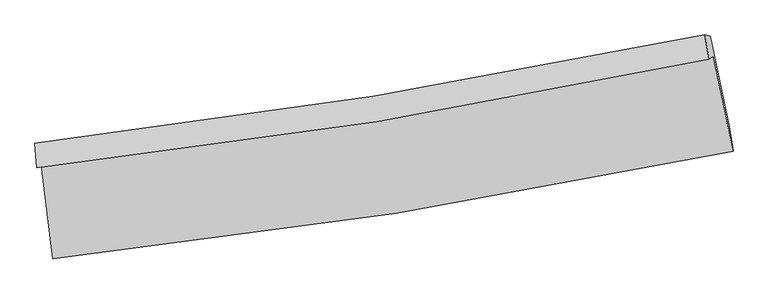
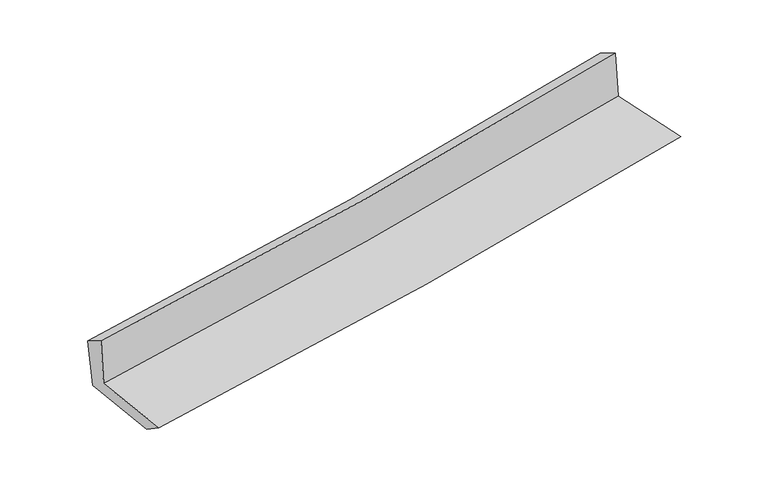
"""IFC4 building model written with IfcOpenShell, lengths in millimetres: proxy geometry."""

from ifc_helpers import new_model, si_unit, frame, origin, place, context, project, spatial, source, transform, mapped, element, save
from ifc_brep_helpers import plane_surface, spline_curve, spline_surface, advanced_brep


def generic_models_5eaeb740(model_context):
    return source(origin(), model_context, "Body", "AdvancedBrep", [
        advanced_brep(
        [(-2375.8786357, -1864.6034838, 1673.6521715), (-2296.7679261, -2519.3110208, 1657.0997748), (2449.936358, -1770.1824434, 2084.7871213), (2313.045521, -1108.8868283, 2089.3368495), (-2408.9430274, -1885.7599122, 2068.7350574), (2279.6697634, -1127.7617067, 2484.8736695), (-2420.4010358, -1714.5621644, 1970.5688097), (2253.6189694, -959.0781099, 2391.9287218), (-2383.6072964, -1725.4398021, 1576.2469839), (2291.0704152, -969.4075103, 2017.094651), (-2305.8789794, -2360.1843754, 1548.7618942), (2423.2820571, -1595.161847, 1984.3691495)],
        [
            (0, 1),
            (1, 2, spline_curve(3, [(-2296.7679261, -2519.3110208, 1657.0997748), (-1495.641198566, -2433.58795159, 1736.907109349), (-697.056809366, -2327.78289986, 1812.649367211), (885.115032166, -2077.576369192, 1955.111210191), (1668.765404485, -1933.671894856, 2021.931401286), (2449.936358, -1770.1824434, 2084.7871213)], [4, 2, 4], [0.0, 7.919379697353607, 15.740147837935723])),
            (2, 3),
            (3, 0, spline_curve(3, [(2313.045521, -1108.8868283, 2089.3368495), (1541.487646087, -1267.775674054, 2026.294211302), (767.428793662, -1409.907583305, 1960.36770479), (-795.482458042, -1662.238373369, 1821.879328865), (-1584.398324806, -1772.012016036, 1749.244276296), (-2375.8786357, -1864.6034838, 1673.6521715)], [4, 2, 4], [0.0, 7.820768140582116, 15.740147837935723])),
            (4, 0),
            (3, 5),
            (5, 4, spline_curve(3, [(2279.6697634, -1127.7617067, 2484.8736695), (1509.11063988, -1292.649340144, 2421.659919178), (735.579914683, -1437.987188517, 2355.609965165), (-827.215605609, -1691.149368993, 2216.969068351), (-1616.555810848, -1798.477589152, 2144.306151612), (-2408.9430274, -1885.7599122, 2068.7350574)], [4, 2, 4], [0.0, 7.7745073448746815, 15.64704294715688])),
            (6, 4),
            (5, 7),
            (7, 6, spline_curve(3, [(2253.6189694, -959.0781099, 2391.9287218), (1485.446843594, -1119.928036185, 2323.313415692), (714.317970683, -1263.027487488, 2254.116089897), (-843.613664715, -1515.305956999, 2113.677555674), (-1630.491460152, -1624.034523923, 2042.421577511), (-2420.4010358, -1714.5621644, 1970.5688097)], [4, 2, 4], [0.0, 7.763046937778591, 15.623977629437082])),
            (8, 6),
            (7, 9),
            (9, 8, spline_curve(3, [(2291.0704152, -969.4075103, 2017.094651), (1522.747139684, -1130.001933291, 1945.016062363), (751.488094015, -1273.017948295, 1872.472551634), (-806.663309287, -1525.474796932, 1725.535127788), (-1593.630167625, -1634.469545932, 1651.129416053), (-2383.6072964, -1725.4398021, 1576.2469839)], [4, 2, 4], [0.0, 7.753106325985892, 15.603971065324192])),
            (10, 8),
            (9, 11),
            (11, 10, spline_curve(3, [(2423.2820571, -1595.161847, 1984.3691495), (1645.75710275, -1761.185369034, 1916.357602751), (865.384827575, -1907.672768648, 1846.291598993), (-710.92992851, -2163.176043549, 1701.141316416), (-1506.94466561, -2271.696153367, 1626.004901507), (-2305.8789794, -2360.1843754, 1548.7618942)], [4, 2, 4], [0.0, 7.799849094968824, 15.69804597982371])),
            (1, 10),
            (11, 2),
        ],
        [
            spline_surface(3, 3, [[(-2375.8786357, -1864.6034838, 1673.6521715), (-1584.398324739, -1772.012016098, 1749.244276221), (-795.482458167, -1662.238373433, 1821.879328918), (767.428793786, -1409.907583242, 1960.367704738), (1541.487646122, -1267.775674086, 2026.294211375), (2313.045521, -1108.8868283, 2089.3368495)], [(-2349.508399172, -2082.839329468, 1668.134705911), (-1554.812615986, -1992.537327908, 1745.131887246), (-762.673908586, -1884.086548956, 1818.802674989), (806.657539885, -1632.46384519, 1958.615539878), (1583.913565548, -1489.741081006, 2024.839941304), (2358.67579999, -1329.318700019, 2087.820273413)], [(-2323.138162628, -2301.075175132, 1662.617240389), (-1525.226907217, -2213.062639715, 1741.019498338), (-729.865358935, -2105.934724462, 1815.726021115), (845.886286054, -1855.020107121, 1956.863375076), (1626.339485004, -1711.706487867, 2023.385671295), (2404.30607901, -1549.750571681, 2086.303697387)], [(-2296.7679261, -2519.3110208, 1657.0997748), (-1495.641198463, -2433.587951525, 1736.907109363), (-697.056809354, -2327.782899984, 1812.649367186), (885.115032153, -2077.57636907, 1955.111210216), (1668.76540443, -1933.671894787, 2021.931401224), (2449.936358, -1770.1824434, 2084.7871213)]], [4, 4], [4, 2, 4], [0.0, 2.215597343833788], [0.0, 7.919379697353607, 15.740147837935723]),
            spline_surface(3, 3, [[(-2408.9430274, -1885.7599122, 2068.7350574), (-1616.55581088, -1798.477589114, 2144.30615173), (-827.215605643, -1691.149369026, 2216.969068377), (735.579914717, -1437.987188485, 2355.609965139), (1509.110639761, -1292.649340035, 2421.659919203), (2279.6697634, -1127.7617067, 2484.8736695)], [(-2397.921563495, -1878.707769407, 1937.040762104), (-1605.836648828, -1789.655731449, 2012.618859898), (-816.637889797, -1681.512370508, 2085.27248857), (746.196207761, -1428.627320083, 2223.862545018), (1519.902975223, -1284.358118034, 2289.871349936), (2290.795015942, -1121.470080549, 2353.028062842)], [(-2386.900099605, -1871.655626593, 1805.346466796), (-1595.117486792, -1780.833873762, 1880.931568053), (-806.060174014, -1671.875371952, 1953.575908725), (756.812500742, -1419.267451643, 2092.115124859), (1530.69531066, -1276.066896087, 2158.082780642), (2301.920268458, -1115.178454451, 2221.182456158)], [(-2375.8786357, -1864.6034838, 1673.6521715), (-1584.398324739, -1772.012016098, 1749.244276221), (-795.482458167, -1662.238373433, 1821.879328918), (767.428793786, -1409.907583242, 1960.367704738), (1541.487646122, -1267.775674086, 2026.294211375), (2313.045521, -1108.8868283, 2089.3368495)]], [4, 4], [4, 2, 4], [0.0, 1.3040185194687381], [0.0, 7.872535602282198, 15.64704294715688]),
            spline_surface(3, 3, [[(-2420.4010358, -1714.5621644, 1970.5688097), (-1630.491460199, -1624.034523814, 2042.421577464), (-843.613664745, -1515.305956953, 2113.677555681), (714.317970712, -1263.027487534, 2254.11608989), (1485.446843654, -1119.928036262, 2323.313415696), (2253.6189694, -959.0781099, 2391.9287218)], [(-2416.581699664, -1771.628080315, 2003.290892287), (-1625.846243757, -1682.182212229, 2076.38310224), (-838.147645066, -1573.920427656, 2148.108059918), (721.405285358, -1321.347387863, 2287.947381645), (1493.334775683, -1177.501804204, 2356.095583541), (2262.302567394, -1015.305975518, 2422.910371043)], [(-2412.762363536, -1828.693996285, 2036.012974813), (-1621.201027323, -1740.329900698, 2110.344626954), (-832.681625322, -1632.534898323, 2182.53856414), (728.492600071, -1379.667288156, 2321.778673384), (1501.222707732, -1235.075572093, 2388.877751358), (2270.986165406, -1071.533841082, 2453.892020257)], [(-2408.9430274, -1885.7599122, 2068.7350574), (-1616.55581088, -1798.477589114, 2144.30615173), (-827.215605643, -1691.149369026, 2216.969068377), (735.579914717, -1437.987188485, 2355.609965139), (1509.110639761, -1292.649340035, 2421.659919203), (2279.6697634, -1127.7617067, 2484.8736695)]], [4, 4], [4, 2, 4], [0.0, 0.6692230680551742], [0.0, 7.860930691658491, 15.623977629437082]),
            spline_surface(3, 3, [[(-2383.6072964, -1725.4398021, 1576.2469839), (-1593.630167555, -1634.469545879, 1651.129415946), (-806.663309263, -1525.474796944, 1725.535127661), (751.488093991, -1273.017948284, 1872.472551759), (1522.747139572, -1130.001933312, 1945.016062427), (2291.0704152, -969.4075103, 2017.094651)], [(-2395.871876212, -1721.813922874, 1707.687592473), (-1605.917265115, -1630.991205198, 1781.560136425), (-818.980094416, -1522.0851836, 1854.91593699), (739.098052906, -1269.687794687, 1999.687064458), (1510.313707593, -1126.643967632, 2071.11518017), (2278.586599927, -965.964376836, 2142.039341253)], [(-2408.136455988, -1718.188043626, 1839.128201127), (-1618.20436264, -1627.512864496, 1911.990856985), (-831.296879591, -1518.695570297, 1984.296746353), (726.708011798, -1266.357641131, 2126.901577191), (1497.880275633, -1123.286001943, 2197.214297953), (2266.102784673, -962.521243364, 2266.984031547)], [(-2420.4010358, -1714.5621644, 1970.5688097), (-1630.491460199, -1624.034523814, 2042.421577464), (-843.613664745, -1515.305956953, 2113.677555681), (714.317970712, -1263.027487534, 2254.11608989), (1485.446843654, -1119.928036262, 2323.313415696), (2253.6189694, -959.0781099, 2391.9287218)]], [4, 4], [4, 2, 4], [0.0, 1.2691759543445231], [0.0, 7.8508647393382995, 15.603971065324192]),
            spline_surface(3, 3, [[(-2305.8789794, -2360.1843754, 1548.7618942), (-1506.944665668, -2271.696153341, 1626.004901447), (-710.929928526, -2163.17604351, 1701.1413163), (865.384827591, -1907.672768686, 1846.291599107), (1645.757102633, -1761.185369067, 1916.357602639), (2423.2820571, -1595.161847, 1984.3691495)], [(-2331.78841839, -2148.60285096, 1557.923590789), (-1535.839832953, -2059.28728418, 1634.379739636), (-742.841055436, -1950.608961317, 1709.272586762), (827.419249726, -1696.121161881, 1855.018583332), (1604.753781629, -1550.790890471, 1925.910422559), (2379.211509816, -1386.577068089, 1995.277649991)], [(-2357.69785741, -1937.02132654, 1567.085287311), (-1564.73500027, -1846.87841504, 1642.754577757), (-774.752182352, -1738.041879137, 1717.403857199), (789.453671856, -1484.569555089, 1863.745567533), (1563.750460576, -1340.396411908, 1935.463242507), (2335.140962484, -1177.992289211, 2006.186150509)], [(-2383.6072964, -1725.4398021, 1576.2469839), (-1593.630167555, -1634.469545879, 1651.129415946), (-806.663309263, -1525.474796944, 1725.535127661), (751.488093991, -1273.017948284, 1872.472551759), (1522.747139572, -1130.001933312, 1945.016062427), (2291.0704152, -969.4075103, 2017.094651)]], [4, 4], [4, 2, 4], [0.0, 2.1169623671673743], [0.0, 7.898196884854887, 15.69804597982371]),
            spline_surface(3, 3, [[(-2296.7679261, -2519.3110208, 1657.0997748), (-1495.641198463, -2433.587951525, 1736.907109363), (-697.056809354, -2327.782899984, 1812.649367186), (885.115032153, -2077.57636907, 1955.111210216), (1668.76540443, -1933.671894787, 2021.931401224), (2449.936358, -1770.1824434, 2084.7871213)], [(-2299.804943868, -2466.268805676, 1620.987147936), (-1499.409020866, -2379.624018806, 1699.939706727), (-701.681182396, -2272.913947814, 1775.480016895), (878.538297314, -2020.941835596, 1918.838006517), (1661.095970496, -1876.176386203, 1986.740135054), (2441.051591032, -1711.842244589, 2051.314464058)], [(-2302.841961632, -2413.226590524, 1584.874521064), (-1503.176843264, -2325.66008606, 1662.972304083), (-706.305555484, -2218.044995681, 1738.310666592), (871.96156243, -1964.30730216, 1882.564802806), (1653.426536567, -1818.680877651, 1951.548868809), (2432.166824068, -1653.502045811, 2017.841806742)], [(-2305.8789794, -2360.1843754, 1548.7618942), (-1506.944665668, -2271.696153341, 1626.004901447), (-710.929928526, -2163.17604351, 1701.1413163), (865.384827591, -1907.672768686, 1846.291599107), (1645.757102633, -1761.185369067, 1916.357602639), (2423.2820571, -1595.161847, 1984.3691495)]], [4, 4], [4, 2, 4], [0.0, 0.6593101158604001], [0.0, 7.955077179817304, 15.811098300332226]),
            plane_surface(frame((2335.1038474, -1255.0797409, 2175.3983604), z_axis=(0.9752215458380953, 0.2012425321131319, 0.09189330662159881), x_axis=(-0.09938235782288384, 0.027410428177812477, 0.9946717123657802))),
            plane_surface(frame((-2365.2461501, -2011.6434598, 1749.1774486), z_axis=(-0.98909948245077, -0.11726496403356793, -0.08905695944633049), x_axis=(-0.11992330470425565, 0.992466024689015, 0.025091648546752984))),
        ],
        [
            (0, [[1, 2, 3, 4]]),
            (1, [[5, -4, 6, 7]]),
            (2, [[8, -7, 9, 10]]),
            (3, [[11, -10, 12, 13]]),
            (4, [[14, -13, 15, 16]]),
            (5, [[17, -16, 18, -2]]),
            (6, [[-12, -9, -6, -3, -18, -15]]),
            (7, [[-1, -5, -8, -11, -14, -17]]),
        ],
    ),
    ])


if __name__ == "__main__":
    model = new_model("IFC4")
    model_context = context("Model", 3, world=origin())
    ifc_project = project(units=[si_unit("LENGTHUNIT", "METRE", prefix="MILLI")], contexts=[model_context])
    site = spatial("IfcSite", under=ifc_project)
    building = spatial("IfcBuilding", under=site)
    placement = place(None, origin())
    generic_models_shape = generic_models_5eaeb740(model_context)
    element("IfcBuildingElementProxy", 1, Name="Generic Models", at=placement, inside=building, context=model_context, shape_type="MappedRepresentation", body=[
        mapped(generic_models_shape, transform((0.0, 0.0, 0.0), x_axis=(1.0, 0.0, 0.0), y_axis=(0.0, 1.0, 0.0), z_axis=(0.0, 0.0, 1.0))),
    ])
    save(model, "model.ifc")
